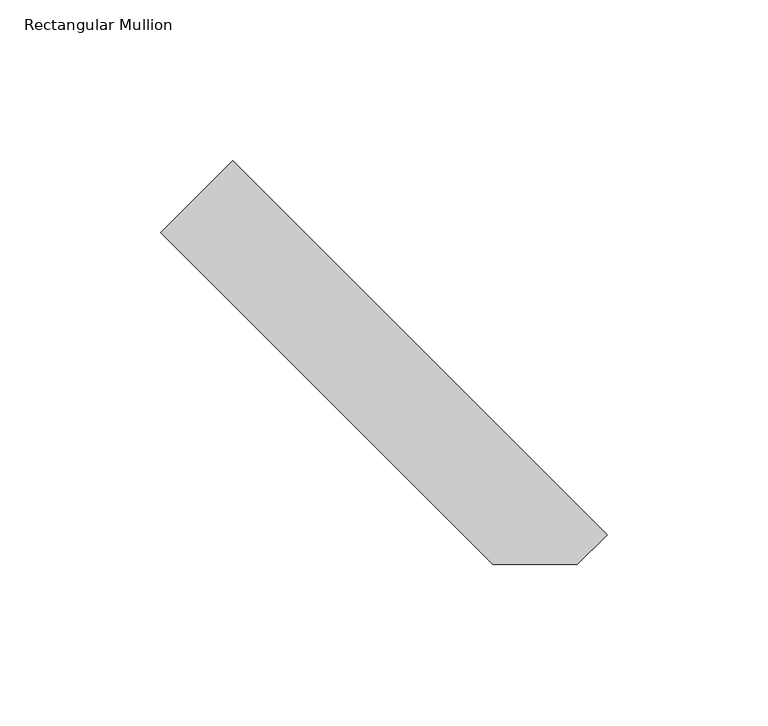
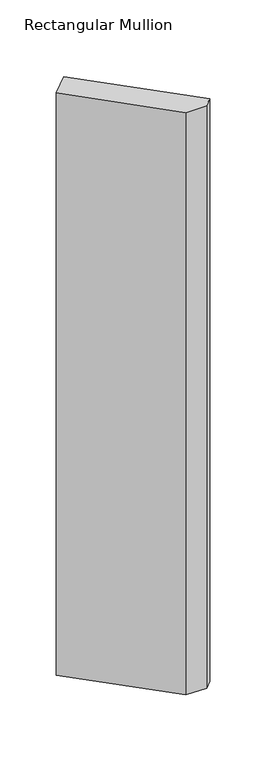
"""IFC4 building model written with IfcOpenShell, lengths in millimetres: member geometry, Rectangular Mullion."""

import ifcopenshell
import ifcopenshell.guid

model = None  # the IFC model being written
_history = None  # IfcOwnerHistory: only IFC2X3 demands one
_inside = {}  # id of a spatial element -> (the spatial element, [elements in it])
_under = {}  # id of a project, library or spatial element -> (it, [spatial elements below it])
_declared = {}  # id of a project -> (the project, [libraries it declares])
_typed = {}  # id of a type object -> (the type object, [elements of that type])
_made_of = {}  # id of a material, layer set ... -> (it, [elements and type objects made of it])


def new_model(schema):
    """Start an empty IFC model of exactly this schema.

    Asked for "IFC4X3", IfcOpenShell would pick the latest addendum, in which some entities
    have other attributes; the version numbers below select the first issue.
    IFC2X3 requires an IfcOwnerHistory on every rooted entity: one is made here for all.
    """
    global model, _history
    if schema == "IFC4X3":
        model = ifcopenshell.file(schema_version=(4, 3, 0, 0))
    else:
        model = ifcopenshell.file(schema=schema)
    _inside.clear()
    _under.clear()
    _declared.clear()
    _typed.clear()
    _made_of.clear()
    _history = None
    if model.schema == "IFC2X3":
        org = make("IfcOrganization", Name="unknown")
        user = make(
            "IfcPersonAndOrganization",
            ThePerson=make("IfcPerson", FamilyName="unknown"),
            TheOrganization=org,
        )
        app = make(
            "IfcApplication",
            ApplicationDeveloper=org,
            Version="unknown",
            ApplicationFullName="unknown",
            ApplicationIdentifier="unknown",
        )
        _history = make(
            "IfcOwnerHistory",
            OwningUser=user,
            OwningApplication=app,
            ChangeAction="ADDED",
            CreationDate=0,
        )
    return model


def make(cls, **values):
    """One entity of the class cls with the attributes given. An attribute that is None is left unset."""
    return model.create_entity(
        cls, **{name: value for name, value in values.items() if value is not None}
    )


def rooted(cls, **values):
    """An entity with a GlobalId (a new one), such as an element, a storey or a relation."""
    return make(cls, GlobalId=ifcopenshell.guid.new(), OwnerHistory=_history, **values)


def si_unit(unit_type, name, prefix=None):
    """IfcSIUnit, for example si_unit("LENGTHUNIT", "METRE", prefix="MILLI")."""
    return make("IfcSIUnit", UnitType=unit_type, Prefix=prefix, Name=name)


def assignment(units):
    """IfcUnitAssignment: the units of a project."""
    return None if units is None else make("IfcUnitAssignment", Units=units)


def point(xyz):
    """IfcCartesianPoint."""
    return None if xyz is None else make("IfcCartesianPoint", Coordinates=xyz)


def direction(xyz):
    """IfcDirection."""
    return None if xyz is None else make("IfcDirection", DirectionRatios=xyz)


def frame(location, z_axis=None, x_axis=None):
    """IfcAxis2Placement3D, a coordinate frame: its origin and axes. An axis left out is left unset."""
    return make(
        "IfcAxis2Placement3D",
        Location=point(location),
        Axis=direction(z_axis),
        RefDirection=direction(x_axis),
    )


def origin():
    """The frame at (0, 0, 0) with its axes left unset."""
    return frame((0.0, 0.0, 0.0))


def place(relative_to, where):
    """IfcLocalPlacement: puts the frame where relative to a parent placement (None: the world)."""
    return make(
        "IfcLocalPlacement", PlacementRelTo=relative_to, RelativePlacement=where
    )


def context(
    kind, dimensions, precision=None, world=None, true_north=None, identifier=None
):
    """IfcGeometricRepresentationContext, for example the 3D "Model" context."""
    return make(
        "IfcGeometricRepresentationContext",
        ContextIdentifier=identifier,
        ContextType=kind,
        CoordinateSpaceDimension=dimensions,
        Precision=precision,
        WorldCoordinateSystem=world,
        TrueNorth=true_north,
    )


def project(units=None, contexts=None):
    """IfcProject with its units and contexts."""
    return rooted(
        "IfcProject",
        Name="project",
        RepresentationContexts=contexts,
        UnitsInContext=assignment(units),
    )


def spatial(cls, under=None, at=None, **own):
    """A site, building, storey or space (cls), placed at a placement, below another one or the project."""
    s = rooted(cls, ObjectPlacement=at, **own)
    if under is not None:
        _under.setdefault(under.id(), (under, []))[1].append(s)
    return s


def polyline(points):
    """IfcPolyline through the points."""
    return make("IfcPolyline", Points=[point(p) for p in points])


def outline(outer, holes=None, kind="AREA"):
    """IfcArbitraryClosedProfileDef: a profile drawn as a closed curve; with holes, ...WithVoids."""
    if holes is None:
        return make("IfcArbitraryClosedProfileDef", ProfileType=kind, OuterCurve=outer)
    return make(
        "IfcArbitraryProfileDefWithVoids",
        ProfileType=kind,
        OuterCurve=outer,
        InnerCurves=holes,
    )


def extrude(swept, where, along, depth):
    """IfcExtrudedAreaSolid: the profile swept, set in the frame where, extruded along a direction by depth."""
    return make(
        "IfcExtrudedAreaSolid",
        SweptArea=swept,
        Position=where,
        ExtrudedDirection=direction(along),
        Depth=depth,
    )


def shape(context_of_items, identifier, shape_type, items):
    """IfcShapeRepresentation: the items that make up one representation, for example the "Body"."""
    return make(
        "IfcShapeRepresentation",
        ContextOfItems=context_of_items,
        RepresentationIdentifier=identifier,
        RepresentationType=shape_type,
        Items=items,
    )


def source(mapping_origin, context_of_items, identifier, shape_type, items):
    """IfcRepresentationMap: a shape defined once, which mapped items show again and again."""
    return make(
        "IfcRepresentationMap",
        MappingOrigin=mapping_origin,
        MappedRepresentation=shape(context_of_items, identifier, shape_type, items),
    )


def transform(
    local_origin,
    x_axis=None,
    y_axis=None,
    z_axis=None,
    scale=None,
    scale2=None,
    scale3=None,
    uniform=True,
):
    """IfcCartesianTransformationOperator3D, or its non-uniform kind. x_axis, y_axis, z_axis: its Axis1, 2, 3."""
    if uniform:
        return make(
            "IfcCartesianTransformationOperator3D",
            Axis1=direction(x_axis),
            Axis2=direction(y_axis),
            LocalOrigin=point(local_origin),
            Scale=scale,
            Axis3=direction(z_axis),
        )
    return make(
        "IfcCartesianTransformationOperator3DnonUniform",
        Axis1=direction(x_axis),
        Axis2=direction(y_axis),
        LocalOrigin=point(local_origin),
        Scale=scale,
        Axis3=direction(z_axis),
        Scale2=scale2,
        Scale3=scale3,
    )


def mapped(mapping_source, mapping_target):
    """IfcMappedItem: shows the shape of a source again, moved by a transform."""
    return make(
        "IfcMappedItem", MappingSource=mapping_source, MappingTarget=mapping_target
    )


def made_of(thing, what):
    """Note that an element or type object is made of a material, layer set ...; save() writes the relation."""
    if what is not None:
        _made_of.setdefault(what.id(), (what, []))[1].append(thing)
    return thing


def element(
    cls,
    number,
    at=None,
    inside=None,
    cuts=None,
    type_object=None,
    material=None,
    context=None,
    identifier="Body",
    shape_type=None,
    held_by="IfcProductDefinitionShape",
    body=None,
    shapes=None,
    **own,
):
    """One element of the class cls, such as IfcWall. Its Tag is "e" and its number.

    at: its placement. inside: the storey or other place that contains it. cuts: it is an
    opening in that element (IfcRelVoidsElement). A single representation is given by context,
    identifier, shape_type and body (its items); several are given by shapes. held_by: the class
    of the entity that holds the representations. save() writes the other relations.
    """
    e = rooted(cls, Tag="e%d" % number, ObjectPlacement=at, **own)
    if body is not None:
        shapes = [shape(context, identifier, shape_type, body)]
    if shapes is not None:
        e.Representation = make(held_by, Representations=shapes)
    if inside is not None:
        _inside.setdefault(inside.id(), (inside, []))[1].append(e)
    if cuts is not None:
        rooted(
            "IfcRelVoidsElement", RelatingBuildingElement=cuts, RelatedOpeningElement=e
        )
    if type_object is not None:
        _typed.setdefault(type_object.id(), (type_object, []))[1].append(e)
    return made_of(e, material)


def aggregate(whole, parts):
    """IfcRelAggregates: a whole, such as a stair, and the parts it consists of."""
    return rooted("IfcRelAggregates", RelatingObject=whole, RelatedObjects=parts)


def save(model, path):
    """Write the relations noted so far, then the file.

    IfcRelAggregates (storeys below a building ...), IfcRelContainedInSpatialStructure (elements
    in a storey), IfcRelDefinesByType, IfcRelAssociatesMaterial and IfcRelDeclares: one each for
    every whole, place, type object, material and project.
    """
    for whole, parts in _under.values():
        aggregate(whole, parts)
    for where, things in _inside.values():
        rooted(
            "IfcRelContainedInSpatialStructure",
            RelatedElements=things,
            RelatingStructure=where,
        )
    for kind, things in _typed.values():
        rooted("IfcRelDefinesByType", RelatedObjects=things, RelatingType=kind)
    for what, things in _made_of.values():
        rooted("IfcRelAssociatesMaterial", RelatedObjects=things, RelatingMaterial=what)
    for by, libraries in _declared.values():
        rooted("IfcRelDeclares", RelatingContext=by, RelatedDefinitions=libraries)
    model.write(path)


def rectangular_mullion_d6510b3c(model_context):
    return source(origin(), model_context, "Body", "SweptSolid", [
        extrude(outline(polyline([(-41.8472953, 41.8472953), (-51.1508407, 32.54375), (-77.4450306, 32.54375), (-180.7359365, 135.8346559), (-158.2852962, 158.2852962), (-41.8472953, 41.8472953)])), frame((0.0, 0.0, -774.7), z_axis=(0.0, 0.0, 1.0), x_axis=(1.0, 0.0, 0.0)), (0.0, 0.0, 1.0), 774.7),
    ])


if __name__ == "__main__":
    model = new_model("IFC4")
    model_context = context("Model", 3, world=origin())
    ifc_project = project(units=[si_unit("LENGTHUNIT", "METRE", prefix="MILLI")], contexts=[model_context])
    site = spatial("IfcSite", under=ifc_project)
    building = spatial("IfcBuilding", under=site)
    placement = place(None, origin())
    rectangular_mullion_shape = rectangular_mullion_d6510b3c(model_context)
    element("IfcMember", 1, ObjectType="Rectangular Mullion", at=placement, inside=building, context=model_context, shape_type="MappedRepresentation", body=[
        mapped(rectangular_mullion_shape, transform((0.0, 0.0, 0.0), x_axis=(1.0, 0.0, 0.0), y_axis=(0.0, 1.0, 0.0), z_axis=(0.0, 0.0, 1.0))),
    ])
    save(model, "model.ifc")
